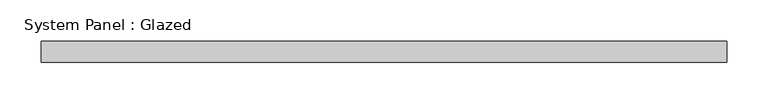
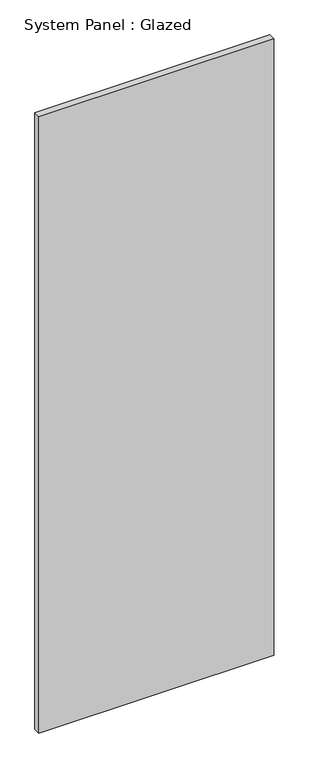
"""IFC4 building model written with IfcOpenShell, lengths in millimetres: plate geometry, System Panel : Glazed."""

import ifcopenshell
import ifcopenshell.guid

model = None  # the IFC model being written
_history = None  # IfcOwnerHistory: only IFC2X3 demands one
_inside = {}  # id of a spatial element -> (the spatial element, [elements in it])
_under = {}  # id of a project, library or spatial element -> (it, [spatial elements below it])
_declared = {}  # id of a project -> (the project, [libraries it declares])
_typed = {}  # id of a type object -> (the type object, [elements of that type])
_made_of = {}  # id of a material, layer set ... -> (it, [elements and type objects made of it])


def new_model(schema):
    """Start an empty IFC model of exactly this schema.

    Asked for "IFC4X3", IfcOpenShell would pick the latest addendum, in which some entities
    have other attributes; the version numbers below select the first issue.
    IFC2X3 requires an IfcOwnerHistory on every rooted entity: one is made here for all.
    """
    global model, _history
    if schema == "IFC4X3":
        model = ifcopenshell.file(schema_version=(4, 3, 0, 0))
    else:
        model = ifcopenshell.file(schema=schema)
    _inside.clear()
    _under.clear()
    _declared.clear()
    _typed.clear()
    _made_of.clear()
    _history = None
    if model.schema == "IFC2X3":
        org = make("IfcOrganization", Name="unknown")
        user = make(
            "IfcPersonAndOrganization",
            ThePerson=make("IfcPerson", FamilyName="unknown"),
            TheOrganization=org,
        )
        app = make(
            "IfcApplication",
            ApplicationDeveloper=org,
            Version="unknown",
            ApplicationFullName="unknown",
            ApplicationIdentifier="unknown",
        )
        _history = make(
            "IfcOwnerHistory",
            OwningUser=user,
            OwningApplication=app,
            ChangeAction="ADDED",
            CreationDate=0,
        )
    return model


def make(cls, **values):
    """One entity of the class cls with the attributes given. An attribute that is None is left unset."""
    return model.create_entity(
        cls, **{name: value for name, value in values.items() if value is not None}
    )


def rooted(cls, **values):
    """An entity with a GlobalId (a new one), such as an element, a storey or a relation."""
    return make(cls, GlobalId=ifcopenshell.guid.new(), OwnerHistory=_history, **values)


def si_unit(unit_type, name, prefix=None):
    """IfcSIUnit, for example si_unit("LENGTHUNIT", "METRE", prefix="MILLI")."""
    return make("IfcSIUnit", UnitType=unit_type, Prefix=prefix, Name=name)


def assignment(units):
    """IfcUnitAssignment: the units of a project."""
    return None if units is None else make("IfcUnitAssignment", Units=units)


def point(xyz):
    """IfcCartesianPoint."""
    return None if xyz is None else make("IfcCartesianPoint", Coordinates=xyz)


def direction(xyz):
    """IfcDirection."""
    return None if xyz is None else make("IfcDirection", DirectionRatios=xyz)


def frame(location, z_axis=None, x_axis=None):
    """IfcAxis2Placement3D, a coordinate frame: its origin and axes. An axis left out is left unset."""
    return make(
        "IfcAxis2Placement3D",
        Location=point(location),
        Axis=direction(z_axis),
        RefDirection=direction(x_axis),
    )


def origin():
    """The frame at (0, 0, 0) with its axes left unset."""
    return frame((0.0, 0.0, 0.0))


def origin_with_axes():
    """The frame at (0, 0, 0) with the z axis (0, 0, 1) and the x axis (1, 0, 0) written out."""
    return frame((0.0, 0.0, 0.0), z_axis=(0.0, 0.0, 1.0), x_axis=(1.0, 0.0, 0.0))


def place(relative_to, where):
    """IfcLocalPlacement: puts the frame where relative to a parent placement (None: the world)."""
    return make(
        "IfcLocalPlacement", PlacementRelTo=relative_to, RelativePlacement=where
    )


def context(
    kind, dimensions, precision=None, world=None, true_north=None, identifier=None
):
    """IfcGeometricRepresentationContext, for example the 3D "Model" context."""
    return make(
        "IfcGeometricRepresentationContext",
        ContextIdentifier=identifier,
        ContextType=kind,
        CoordinateSpaceDimension=dimensions,
        Precision=precision,
        WorldCoordinateSystem=world,
        TrueNorth=true_north,
    )


def project(units=None, contexts=None):
    """IfcProject with its units and contexts."""
    return rooted(
        "IfcProject",
        Name="project",
        RepresentationContexts=contexts,
        UnitsInContext=assignment(units),
    )


def spatial(cls, under=None, at=None, **own):
    """A site, building, storey or space (cls), placed at a placement, below another one or the project."""
    s = rooted(cls, ObjectPlacement=at, **own)
    if under is not None:
        _under.setdefault(under.id(), (under, []))[1].append(s)
    return s


def polyline(points):
    """IfcPolyline through the points."""
    return make("IfcPolyline", Points=[point(p) for p in points])


def outline(outer, holes=None, kind="AREA"):
    """IfcArbitraryClosedProfileDef: a profile drawn as a closed curve; with holes, ...WithVoids."""
    if holes is None:
        return make("IfcArbitraryClosedProfileDef", ProfileType=kind, OuterCurve=outer)
    return make(
        "IfcArbitraryProfileDefWithVoids",
        ProfileType=kind,
        OuterCurve=outer,
        InnerCurves=holes,
    )


def extrude(swept, where, along, depth):
    """IfcExtrudedAreaSolid: the profile swept, set in the frame where, extruded along a direction by depth."""
    return make(
        "IfcExtrudedAreaSolid",
        SweptArea=swept,
        Position=where,
        ExtrudedDirection=direction(along),
        Depth=depth,
    )


def shape(context_of_items, identifier, shape_type, items):
    """IfcShapeRepresentation: the items that make up one representation, for example the "Body"."""
    return make(
        "IfcShapeRepresentation",
        ContextOfItems=context_of_items,
        RepresentationIdentifier=identifier,
        RepresentationType=shape_type,
        Items=items,
    )


def source(mapping_origin, context_of_items, identifier, shape_type, items):
    """IfcRepresentationMap: a shape defined once, which mapped items show again and again."""
    return make(
        "IfcRepresentationMap",
        MappingOrigin=mapping_origin,
        MappedRepresentation=shape(context_of_items, identifier, shape_type, items),
    )


def transform(
    local_origin,
    x_axis=None,
    y_axis=None,
    z_axis=None,
    scale=None,
    scale2=None,
    scale3=None,
    uniform=True,
):
    """IfcCartesianTransformationOperator3D, or its non-uniform kind. x_axis, y_axis, z_axis: its Axis1, 2, 3."""
    if uniform:
        return make(
            "IfcCartesianTransformationOperator3D",
            Axis1=direction(x_axis),
            Axis2=direction(y_axis),
            LocalOrigin=point(local_origin),
            Scale=scale,
            Axis3=direction(z_axis),
        )
    return make(
        "IfcCartesianTransformationOperator3DnonUniform",
        Axis1=direction(x_axis),
        Axis2=direction(y_axis),
        LocalOrigin=point(local_origin),
        Scale=scale,
        Axis3=direction(z_axis),
        Scale2=scale2,
        Scale3=scale3,
    )


def mapped(mapping_source, mapping_target):
    """IfcMappedItem: shows the shape of a source again, moved by a transform."""
    return make(
        "IfcMappedItem", MappingSource=mapping_source, MappingTarget=mapping_target
    )


def made_of(thing, what):
    """Note that an element or type object is made of a material, layer set ...; save() writes the relation."""
    if what is not None:
        _made_of.setdefault(what.id(), (what, []))[1].append(thing)
    return thing


def element(
    cls,
    number,
    at=None,
    inside=None,
    cuts=None,
    type_object=None,
    material=None,
    context=None,
    identifier="Body",
    shape_type=None,
    held_by="IfcProductDefinitionShape",
    body=None,
    shapes=None,
    **own,
):
    """One element of the class cls, such as IfcWall. Its Tag is "e" and its number.

    at: its placement. inside: the storey or other place that contains it. cuts: it is an
    opening in that element (IfcRelVoidsElement). A single representation is given by context,
    identifier, shape_type and body (its items); several are given by shapes. held_by: the class
    of the entity that holds the representations. save() writes the other relations.
    """
    e = rooted(cls, Tag="e%d" % number, ObjectPlacement=at, **own)
    if body is not None:
        shapes = [shape(context, identifier, shape_type, body)]
    if shapes is not None:
        e.Representation = make(held_by, Representations=shapes)
    if inside is not None:
        _inside.setdefault(inside.id(), (inside, []))[1].append(e)
    if cuts is not None:
        rooted(
            "IfcRelVoidsElement", RelatingBuildingElement=cuts, RelatedOpeningElement=e
        )
    if type_object is not None:
        _typed.setdefault(type_object.id(), (type_object, []))[1].append(e)
    return made_of(e, material)


def aggregate(whole, parts):
    """IfcRelAggregates: a whole, such as a stair, and the parts it consists of."""
    return rooted("IfcRelAggregates", RelatingObject=whole, RelatedObjects=parts)


def save(model, path):
    """Write the relations noted so far, then the file.

    IfcRelAggregates (storeys below a building ...), IfcRelContainedInSpatialStructure (elements
    in a storey), IfcRelDefinesByType, IfcRelAssociatesMaterial and IfcRelDeclares: one each for
    every whole, place, type object, material and project.
    """
    for whole, parts in _under.values():
        aggregate(whole, parts)
    for where, things in _inside.values():
        rooted(
            "IfcRelContainedInSpatialStructure",
            RelatedElements=things,
            RelatingStructure=where,
        )
    for kind, things in _typed.values():
        rooted("IfcRelDefinesByType", RelatedObjects=things, RelatingType=kind)
    for what, things in _made_of.values():
        rooted("IfcRelAssociatesMaterial", RelatedObjects=things, RelatingMaterial=what)
    for by, libraries in _declared.values():
        rooted("IfcRelDeclares", RelatingContext=by, RelatedDefinitions=libraries)
    model.write(path)


def system_panel_glazed_f21687e2(model_context):
    return source(origin(), model_context, "Body", "SweptSolid", [
        extrude(outline(polyline([(414.1721298, -49.5), (-414.1721298, -49.5), (-414.1721298, -24.5), (414.1721298, -24.5), (414.1721298, -49.5)])), origin_with_axes(), (0.0, 0.0, 1.0), 2300.0),
    ])


if __name__ == "__main__":
    model = new_model("IFC4")
    model_context = context("Model", 3, world=origin())
    ifc_project = project(units=[si_unit("LENGTHUNIT", "METRE", prefix="MILLI")], contexts=[model_context])
    site = spatial("IfcSite", under=ifc_project)
    building = spatial("IfcBuilding", under=site)
    placement = place(None, origin())
    system_panel_glazed_shape = system_panel_glazed_f21687e2(model_context)
    element("IfcPlate", 1, ObjectType="System Panel : Glazed", at=placement, inside=building, context=model_context, shape_type="MappedRepresentation", body=[
        mapped(system_panel_glazed_shape, transform((0.0, 0.0, 0.0), x_axis=(1.0, 0.0, 0.0), y_axis=(0.0, 1.0, 0.0), z_axis=(0.0, 0.0, 1.0))),
    ])
    save(model, "model.ifc")
